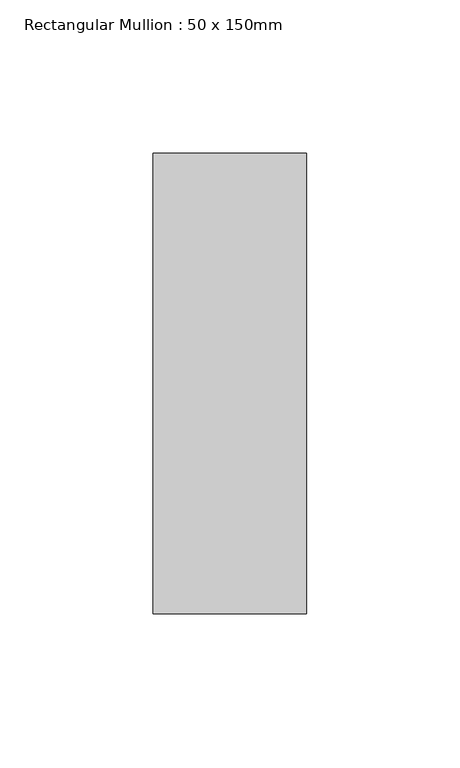
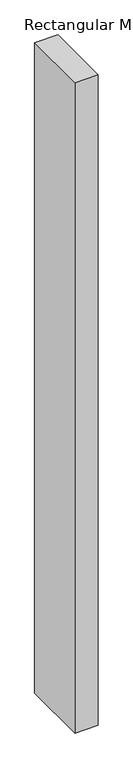
"""IFC4 building model written with IfcOpenShell, lengths in millimetres: member geometry, Rectangular Mullion : 50 x 150mm."""

from ifc_helpers import new_model, si_unit, frame, origin, place, context, project, spatial, polyline, outline, extrude, source, transform, mapped, element, save


def rectangular_mullion_50_x_150mm_42ecf623(model_context):
    return source(origin(), model_context, "Body", "SweptSolid", [
        extrude(outline(polyline([(0.0, 75.0), (0.0, -75.0), (-50.0, -75.0), (-50.0, 75.0), (0.0, 75.0)])), frame((0.0, 0.0, -1482.2330358), z_axis=(0.0, 0.0, 1.0), x_axis=(1.0, 0.0, 0.0)), (0.0, 0.0, 1.0), 1482.2330358),
    ])


if __name__ == "__main__":
    model = new_model("IFC4")
    model_context = context("Model", 3, world=origin())
    ifc_project = project(units=[si_unit("LENGTHUNIT", "METRE", prefix="MILLI")], contexts=[model_context])
    site = spatial("IfcSite", under=ifc_project)
    building = spatial("IfcBuilding", under=site)
    placement = place(None, origin())
    rectangular_mullion_50_x_150mm_shape = rectangular_mullion_50_x_150mm_42ecf623(model_context)
    element("IfcMember", 1, ObjectType="Rectangular Mullion : 50 x 150mm", at=placement, inside=building, context=model_context, shape_type="MappedRepresentation", body=[
        mapped(rectangular_mullion_50_x_150mm_shape, transform((0.0, 0.0, 0.0), x_axis=(1.0, 0.0, 0.0), y_axis=(0.0, 1.0, 0.0), z_axis=(0.0, 0.0, 1.0))),
    ])
    save(model, "model.ifc")
